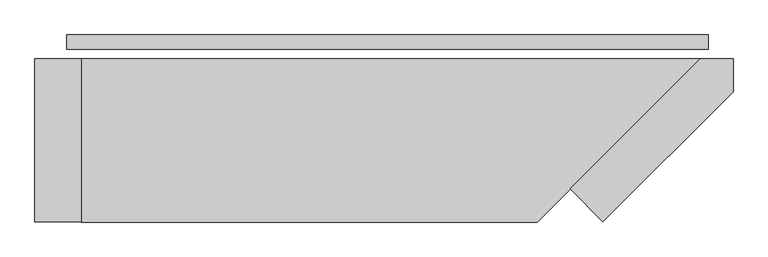
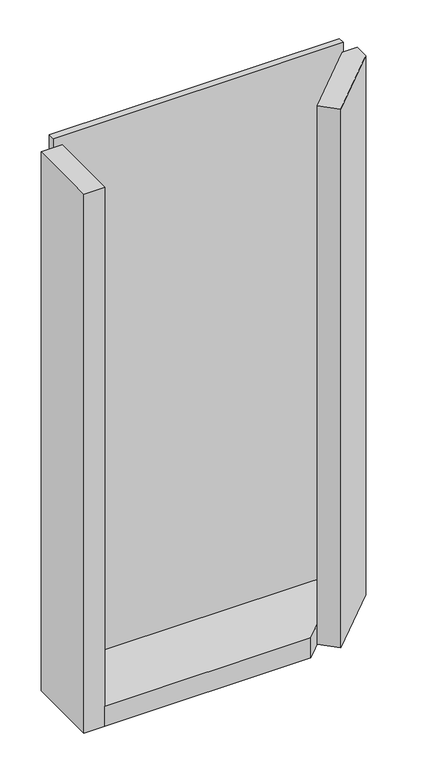
"""IFC4 building model written with IfcOpenShell, lengths in millimetres: plate geometry."""

from ifc_helpers import new_model, si_unit, frame, origin, origin_with_axes, place, context, project, spatial, polyline, outline, extrude, source, transform, mapped, element, save


def plate_497368c0(model_context):
    return source(origin(), model_context, "Body", "SweptSolid", [
        extrude(outline(polyline([(550.5, 0.0), (550.5, -25.0), (-550.5, -25.0), (-550.5, 0.0), (550.5, 0.0)])), origin_with_axes(), (0.0, 0.0, 1.0), 2132.0),
        extrude(outline(polyline([(313.5, -264.4314575), (536.9314575, -41.0), (593.5, -41.0), (593.5, -97.5685425), (370.0685425, -321.0), (313.5, -264.4314575)])), frame((0.0, 0.0, -55.0), z_axis=(0.0, 0.0, 1.0), x_axis=(1.0, 0.0, 0.0)), (0.0, 0.0, 1.0), 2162.0),
        extrude(outline(polyline([(-525.5, -321.0), (-525.5, -41.0), (536.9314575, -41.0), (256.9314575, -321.0), (-525.5, -321.0)])), frame((0.0, 0.0, -55.0), z_axis=(0.0, 0.0, 1.0), x_axis=(1.0, 0.0, 0.0)), (0.0, 0.0, 1.0), 80.0),
        extrude(outline(polyline([(-605.5, -41.0), (-525.5, -41.0), (-525.5, -321.0), (-605.5, -321.0), (-605.5, -41.0)])), frame((0.0, 0.0, -55.0), z_axis=(0.0, 0.0, 1.0), x_axis=(1.0, 0.0, 0.0)), (0.0, 0.0, 1.0), 2162.0),
    ])


if __name__ == "__main__":
    model = new_model("IFC4")
    model_context = context("Model", 3, world=origin())
    ifc_project = project(units=[si_unit("LENGTHUNIT", "METRE", prefix="MILLI")], contexts=[model_context])
    site = spatial("IfcSite", under=ifc_project)
    building = spatial("IfcBuilding", under=site)
    placement = place(None, origin())
    plate_shape = plate_497368c0(model_context)
    element("IfcPlate", 1, at=placement, inside=building, context=model_context, shape_type="MappedRepresentation", body=[
        mapped(plate_shape, transform((0.0, 0.0, 0.0), x_axis=(1.0, 0.0, 0.0), y_axis=(0.0, 1.0, 0.0), z_axis=(0.0, 0.0, 1.0))),
    ])
    save(model, "model.ifc")
